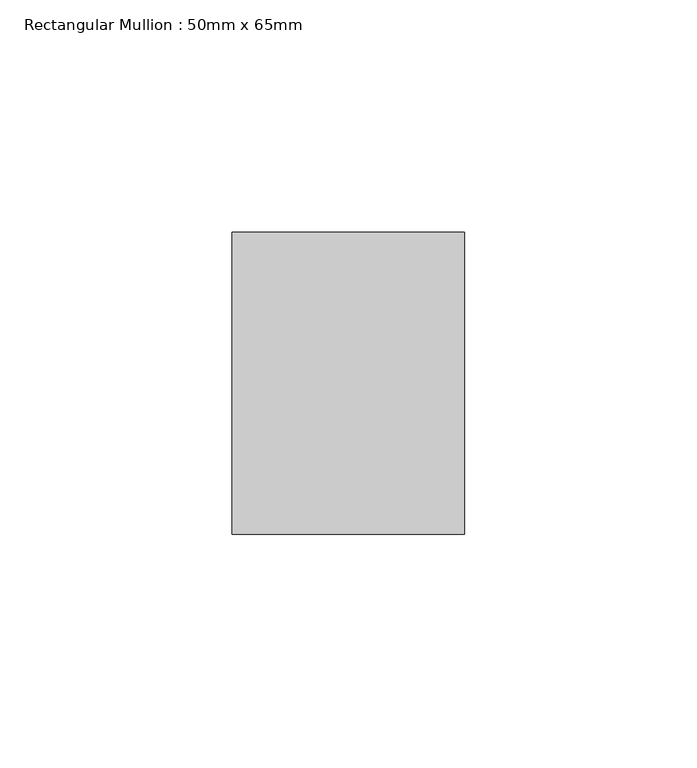
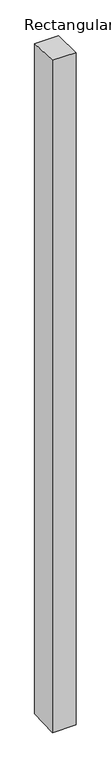
"""IFC4 building model written with IfcOpenShell, lengths in millimetres: member geometry, Rectangular Mullion : 50mm x 65mm."""

from ifc_helpers import new_model, si_unit, origin, place, context, project, spatial, faceted_brep, source, transform, mapped, element, save


def rectangular_mullion_50mm_x_65mm_a4a262d8(model_context):
    return source(origin(), model_context, "Body", "Brep", [
        faceted_brep([(-25.0, 32.5, -0.8979596), (25.0, 32.5, -0.8979682), (25.0, 32.5, -1498.8577366), (-25.0, 32.5, -1498.8577475), (-25.0, -32.5, 0.8979682), (-25.0, -32.5, -1501.141649), (25.0, -32.5, 0.8979596), (25.0, -32.5, -1501.1416381)], [[[0, 1, 2, 3]], [[4, 0, 3, 5]], [[6, 4, 5, 7]], [[1, 6, 7, 2]], [[1, 0, 4, 6]], [[2, 7, 5, 3]]]),
    ])


if __name__ == "__main__":
    model = new_model("IFC4")
    model_context = context("Model", 3, world=origin())
    ifc_project = project(units=[si_unit("LENGTHUNIT", "METRE", prefix="MILLI")], contexts=[model_context])
    site = spatial("IfcSite", under=ifc_project)
    building = spatial("IfcBuilding", under=site)
    placement = place(None, origin())
    rectangular_mullion_50mm_x_65mm_shape = rectangular_mullion_50mm_x_65mm_a4a262d8(model_context)
    element("IfcMember", 1, ObjectType="Rectangular Mullion : 50mm x 65mm", at=placement, inside=building, context=model_context, shape_type="MappedRepresentation", body=[
        mapped(rectangular_mullion_50mm_x_65mm_shape, transform((0.0, 0.0, 0.0), x_axis=(1.0, 0.0, 0.0), y_axis=(0.0, 1.0, 0.0), z_axis=(0.0, 0.0, 1.0))),
    ])
    save(model, "model.ifc")
